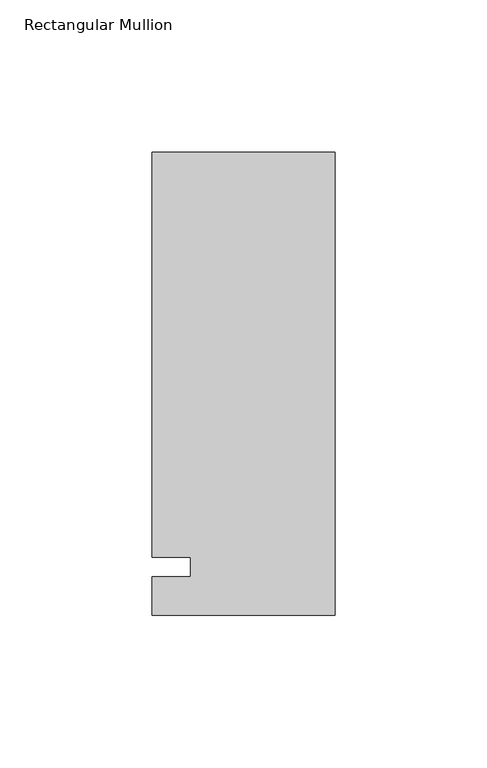
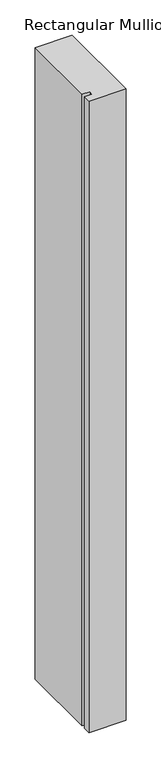
"""IFC4 building model written with IfcOpenShell, lengths in millimetres: member geometry, Rectangular Mullion."""

from ifc_helpers import new_model, si_unit, frame, origin, place, context, project, spatial, polyline, outline, extrude, source, transform, mapped, element, save


def rectangular_mullion_6ff03fdf(model_context):
    return source(origin(), model_context, "Body", "SweptSolid", [
        extrude(outline(polyline([(-60.325, 136.525), (0.0, 136.525), (0.0, -15.875), (-60.325, -15.875), (-60.325, -3.175), (-47.625, -3.175), (-47.625, 3.175), (-60.325, 3.175), (-60.325, 136.525)])), frame((0.0, 0.0, -1091.0405973), z_axis=(0.0, 0.0, 1.0), x_axis=(1.0, 0.0, 0.0)), (0.0, 0.0, 1.0), 1091.0405973),
    ])


if __name__ == "__main__":
    model = new_model("IFC4")
    model_context = context("Model", 3, world=origin())
    ifc_project = project(units=[si_unit("LENGTHUNIT", "METRE", prefix="MILLI")], contexts=[model_context])
    site = spatial("IfcSite", under=ifc_project)
    building = spatial("IfcBuilding", under=site)
    placement = place(None, origin())
    rectangular_mullion_shape = rectangular_mullion_6ff03fdf(model_context)
    element("IfcMember", 1, ObjectType="Rectangular Mullion", at=placement, inside=building, context=model_context, shape_type="MappedRepresentation", body=[
        mapped(rectangular_mullion_shape, transform((0.0, 0.0, 0.0), x_axis=(1.0, 0.0, 0.0), y_axis=(0.0, 1.0, 0.0), z_axis=(0.0, 0.0, 1.0))),
    ])
    save(model, "model.ifc")
